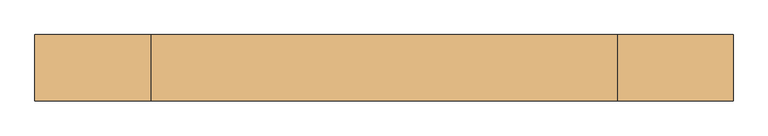
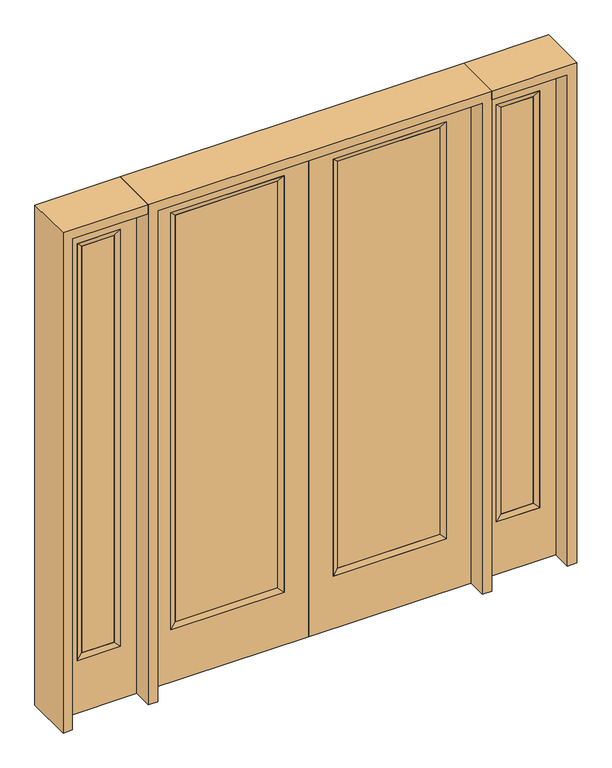
"""IFC4 building model written with IfcOpenShell, lengths in millimetres: door geometry."""

from ifc_helpers import new_model, si_unit, frame, origin, place, context, project, spatial, polyline, outline, extrude, faceted_brep, source, transform, mapped, element, save


def door_17c160f0(model_context):
    return source(origin(), model_context, "Body", "SolidModel", [
        extrude(outline(polyline([(140.8176, -12.7039749), (140.8176, 14.2875), (621.1824, 14.2875), (621.1824, -12.7039749), (140.8176, -12.7039749)])), frame((0.0, 0.0, 285.75), z_axis=(0.0, 0.0, 1.0), x_axis=(1.0, 0.0, 0.0)), (0.0, 0.0, 1.0), 2019.3),
        faceted_brep([(140.8176, 14.2875, 2305.05), (140.8176, 14.2875, 285.75), (115.4176, 22.225, 260.35), (115.4176, 22.225, 2330.45), (115.4176, -22.225, 260.35), (115.4176, -22.225, 2330.45), (621.1824, 14.2875, 285.75), (646.5824, 22.225, 260.35), (140.8176, -12.7039749, 2305.05), (140.8176, -12.7039749, 285.75), (621.1824, -12.7039749, 285.75), (646.5824, -22.225, 260.35), (621.1824, 14.2875, 2305.05), (646.5824, 22.225, 2330.45), (621.1824, -12.7039749, 2305.05), (646.5824, -22.225, 2330.45)], [[[0, 1, 2, 3]], [[3, 2, 4, 5]], [[1, 6, 7, 2]], [[8, 9, 1, 0]], [[9, 10, 6, 1]], [[5, 4, 9, 8]], [[4, 11, 10, 9]], [[2, 7, 11, 4]], [[6, 12, 13, 7]], [[10, 14, 12, 6]], [[11, 15, 14, 10]], [[7, 13, 15, 11]], [[12, 0, 3, 13]], [[14, 8, 0, 12]], [[15, 5, 8, 14]], [[13, 3, 5, 15]]]),
        extrude(outline(polyline([(0.0, 762.0), (2438.4, 762.0), (2438.4, 0.0), (0.0, 0.0), (0.0, 762.0)]), holes=[polyline([(260.35, 646.5824), (260.35, 115.4176), (2330.45, 115.4176), (2330.45, 646.5824), (260.35, 646.5824)])]), frame((0.0, -22.225, 0.0), z_axis=(0.0, 1.0, 0.0), x_axis=(0.0, 0.0, 1.0)), (0.0, 0.0, 1.0), 44.45),
        extrude(outline(polyline([(-140.8176, -12.7039749), (-621.1824, -12.7039749), (-621.1824, 14.2875), (-140.8176, 14.2875), (-140.8176, -12.7039749)])), frame((0.0, 0.0, 285.75), z_axis=(0.0, 0.0, 1.0), x_axis=(1.0, 0.0, 0.0)), (0.0, 0.0, 1.0), 2019.3),
        faceted_brep([(-140.8176, 14.2875, 2305.05), (-115.4176, 22.225, 2330.45), (-115.4176, 22.225, 260.35), (-140.8176, 14.2875, 285.75), (-115.4176, -22.225, 2330.45), (-115.4176, -22.225, 260.35), (-646.5824, 22.225, 260.35), (-621.1824, 14.2875, 285.75), (-140.8176, -12.7039749, 2305.05), (-140.8176, -12.7039749, 285.75), (-621.1824, -12.7039749, 285.75), (-646.5824, -22.225, 260.35), (-646.5824, 22.225, 2330.45), (-621.1824, 14.2875, 2305.05), (-621.1824, -12.7039749, 2305.05), (-646.5824, -22.225, 2330.45)], [[[0, 1, 2, 3]], [[1, 4, 5, 2]], [[3, 2, 6, 7]], [[8, 0, 3, 9]], [[9, 3, 7, 10]], [[4, 8, 9, 5]], [[5, 9, 10, 11]], [[2, 5, 11, 6]], [[7, 6, 12, 13]], [[10, 7, 13, 14]], [[11, 10, 14, 15]], [[6, 11, 15, 12]], [[13, 12, 1, 0]], [[14, 13, 0, 8]], [[15, 14, 8, 4]], [[12, 15, 4, 1]]]),
        extrude(outline(polyline([(0.0, -762.0), (0.0, 0.0), (2438.4, 0.0), (2438.4, -762.0), (0.0, -762.0)]), holes=[polyline([(260.35, -646.5824), (2330.45, -646.5824), (2330.45, -115.4176), (260.35, -115.4176), (260.35, -646.5824)])]), frame((0.0, -22.225, 0.0), z_axis=(0.0, 1.0, 0.0), x_axis=(0.0, 0.0, 1.0)), (0.0, 0.0, 1.0), 44.45),
        faceted_brep([(882.65, 20.6375, 2330.45), (882.65, 20.6375, 260.35), (882.65, -20.6375, 260.35), (882.65, -20.6375, 2330.45), (908.05, -12.7, 285.75), (908.05, -12.7, 2305.05), (1085.85, 20.6375, 260.35), (1085.85, -20.6375, 260.35), (908.05, 12.7, 2305.05), (908.05, 12.7, 285.75), (1060.45, 12.7, 285.75), (1060.45, -12.7, 285.75), (1085.85, 20.6375, 2330.45), (1085.85, -20.6375, 2330.45), (1060.45, 12.7, 2305.05), (1060.45, -12.7, 2305.05)], [[[0, 1, 2, 3]], [[3, 2, 4, 5]], [[1, 6, 7, 2]], [[8, 9, 1, 0]], [[9, 10, 6, 1]], [[5, 4, 9, 8]], [[4, 11, 10, 9]], [[2, 7, 11, 4]], [[6, 12, 13, 7]], [[10, 14, 12, 6]], [[11, 15, 14, 10]], [[7, 13, 15, 11]], [[12, 0, 3, 13]], [[14, 8, 0, 12]], [[15, 5, 8, 14]], [[13, 3, 5, 15]]]),
        extrude(outline(polyline([(0.0, 1162.05), (2438.4, 1162.05), (2438.4, 806.45), (0.0, 806.45), (0.0, 1162.05)]), holes=[polyline([(2330.45, 882.65), (2330.45, 1085.85), (260.35, 1085.85), (260.35, 882.65), (2330.45, 882.65)])]), frame((0.0, -20.6375, 0.0), z_axis=(0.0, 1.0, 0.0), x_axis=(0.0, 0.0, 1.0)), (0.0, 0.0, 1.0), 41.275),
        extrude(outline(polyline([(908.05, -12.7), (908.05, 12.7), (1060.45, 12.7), (1060.45, -12.7), (908.05, -12.7)])), frame((0.0, 0.0, 285.75), z_axis=(0.0, 0.0, 1.0), x_axis=(1.0, 0.0, 0.0)), (0.0, 0.0, 1.0), 2019.3),
        faceted_brep([(-882.65, 20.6375, 2330.45), (-882.65, -20.6375, 2330.45), (-882.65, -20.6375, 260.35), (-882.65, 20.6375, 260.35), (-908.05, -12.7, 2305.05), (-908.05, -12.7, 285.75), (-1085.85, -20.6375, 260.35), (-1085.85, 20.6375, 260.35), (-908.05, 12.7, 2305.05), (-908.05, 12.7, 285.75), (-1060.45, 12.7, 285.75), (-1060.45, -12.7, 285.75), (-1085.85, -20.6375, 2330.45), (-1085.85, 20.6375, 2330.45), (-1060.45, 12.7, 2305.05), (-1060.45, -12.7, 2305.05)], [[[0, 1, 2, 3]], [[1, 4, 5, 2]], [[3, 2, 6, 7]], [[8, 0, 3, 9]], [[9, 3, 7, 10]], [[4, 8, 9, 5]], [[5, 9, 10, 11]], [[2, 5, 11, 6]], [[7, 6, 12, 13]], [[10, 7, 13, 14]], [[11, 10, 14, 15]], [[6, 11, 15, 12]], [[13, 12, 1, 0]], [[14, 13, 0, 8]], [[15, 14, 8, 4]], [[12, 15, 4, 1]]]),
        extrude(outline(polyline([(0.0, -1162.05), (0.0, -806.45), (2438.4, -806.45), (2438.4, -1162.05), (0.0, -1162.05)]), holes=[polyline([(2330.45, -882.65), (260.35, -882.65), (260.35, -1085.85), (2330.45, -1085.85), (2330.45, -882.65)])]), frame((0.0, -20.6375, 0.0), z_axis=(0.0, 1.0, 0.0), x_axis=(0.0, 0.0, 1.0)), (0.0, 0.0, 1.0), 41.275),
        extrude(outline(polyline([(-908.05, -12.7), (-1060.45, -12.7), (-1060.45, 12.7), (-908.05, 12.7), (-908.05, -12.7)])), frame((0.0, 0.0, 285.75), z_axis=(0.0, 0.0, 1.0), x_axis=(1.0, 0.0, 0.0)), (0.0, 0.0, 1.0), 2019.3),
        extrude(outline(polyline([(2438.4, -806.45), (2482.85, -806.45), (2482.85, -1206.5), (0.0, -1206.5), (0.0, -1162.05), (2438.4, -1162.05), (2438.4, -806.45)])), frame((0.0, -114.3, 0.0), z_axis=(0.0, 1.0, 0.0), x_axis=(0.0, 0.0, 1.0)), (0.0, 0.0, 1.0), 228.6),
        extrude(outline(polyline([(2482.85, -806.45), (0.0, -806.45), (0.0, -762.0), (2438.4, -762.0), (2438.4, 762.0), (0.0, 762.0), (0.0, 806.45), (2482.85, 806.45), (2482.85, -806.45)])), frame((0.0, -114.3, 0.0), z_axis=(0.0, 1.0, 0.0), x_axis=(0.0, 0.0, 1.0)), (0.0, 0.0, 1.0), 228.6),
        extrude(outline(polyline([(0.0, 1162.05), (0.0, 1206.5), (2482.85, 1206.5), (2482.85, 806.45), (2438.4, 806.45), (2438.4, 1162.05), (0.0, 1162.05)])), frame((0.0, -114.3, 0.0), z_axis=(0.0, 1.0, 0.0), x_axis=(0.0, 0.0, 1.0)), (0.0, 0.0, 1.0), 228.6),
    ])


if __name__ == "__main__":
    model = new_model("IFC4")
    model_context = context("Model", 3, world=origin())
    ifc_project = project(units=[si_unit("LENGTHUNIT", "METRE", prefix="MILLI")], contexts=[model_context])
    site = spatial("IfcSite", under=ifc_project)
    building = spatial("IfcBuilding", under=site)
    placement = place(None, origin())
    door_shape = door_17c160f0(model_context)
    element("IfcDoor", 1, at=placement, inside=building, context=model_context, shape_type="MappedRepresentation", body=[
        mapped(door_shape, transform((0.0, 0.0, 0.0), x_axis=(1.0, 0.0, 0.0), y_axis=(0.0, 1.0, 0.0), z_axis=(0.0, 0.0, 1.0))),
    ])
    save(model, "model.ifc")
